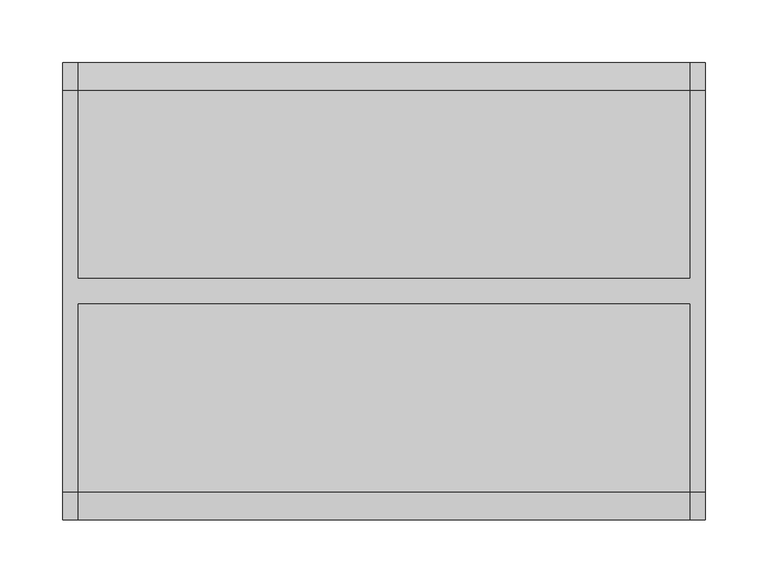
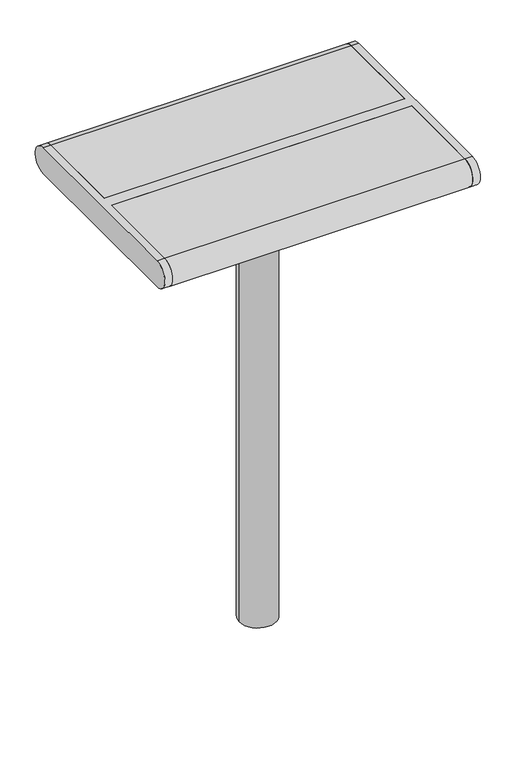
"""IFC4 building model written with IfcOpenShell, lengths in millimetres: furniture geometry."""

from ifc_helpers import new_model, si_unit, point, frame, frame_2d, origin, origin_2d, place, context, project, spatial, polyline, circle_curve, trimmed, segment, composite_curve, outline, extrude, source, transform, mapped, element, save
from ifc_brep_helpers import plane_surface, cylinder_surface, advanced_brep


def furniture_86fac9b9(model_context):
    return source(origin(), model_context, "Body", "SolidModel", [
        advanced_brep(
        [(257.0, -161.0, 405.0), (257.0, 160.0, 405.0), (257.0, 160.0, 450.0), (257.0, -161.0, 450.0), (245.0, -161.0, 405.0), (245.0, -161.0, 450.0), (245.0, -10.5, 450.0), (245.0, -10.5, 405.0), (245.0, 160.0, 450.0), (245.0, 160.0, 405.0), (245.0, 9.5, 405.0), (245.0, 9.5, 450.0), (-245.0, 9.5, 450.0), (-245.0, 160.0, 450.0), (-257.0, 160.0, 450.0), (-257.0, -161.0, 450.0), (-245.0, -161.0, 450.0), (-245.0, -10.5, 450.0), (-245.0, -10.5, 405.0), (-245.0, -161.0, 405.0), (-257.0, -161.0, 405.0), (-257.0, 160.0, 405.0), (-245.0, 160.0, 405.0), (-245.0, 9.5, 405.0)],
        [
            (0, 1),
            (1, 2, circle_curve(frame((257.0, 160.0, 427.5), z_axis=(1.0, 0.0, 0.0), x_axis=(0.0, 1.0, 0.0)), 22.5)),
            (2, 3),
            (3, 0, circle_curve(frame((257.0, -161.0, 427.5), z_axis=(1.0, 0.0, 0.0), x_axis=(0.0, -1.0, 0.0)), 22.5)),
            (4, 5, circle_curve(frame((245.0, -161.0, 427.5), z_axis=(-1.0, 0.0, 0.0), x_axis=(0.0, -1.0, 0.0)), 22.5)),
            (5, 6),
            (6, 7),
            (7, 4),
            (8, 9, circle_curve(frame((245.0, 160.0, 427.5), z_axis=(-1.0, 0.0, 0.0), x_axis=(0.0, 1.0, 0.0)), 22.5)),
            (9, 10),
            (10, 11),
            (11, 8),
            (2, 8),
            (11, 12),
            (12, 13),
            (13, 14),
            (14, 15),
            (15, 16),
            (16, 17),
            (17, 6),
            (5, 3),
            (0, 4),
            (7, 18),
            (18, 19),
            (19, 20),
            (20, 21),
            (21, 22),
            (22, 23),
            (23, 10),
            (9, 1),
            (17, 18),
            (23, 12),
            (22, 13, circle_curve(frame((-245.0, 160.0, 427.5), z_axis=(1.0, 0.0, 0.0), x_axis=(0.0, -1.0, 0.0)), 22.5)),
            (16, 19, circle_curve(frame((-245.0, -161.0, 427.5), z_axis=(1.0, 0.0, 0.0), x_axis=(0.0, -1.0, 0.0)), 22.5)),
            (20, 15, circle_curve(frame((-257.0, -161.0, 427.5), z_axis=(-1.0, 0.0, 0.0), x_axis=(0.0, -1.0, 0.0)), 22.5)),
            (14, 21, circle_curve(frame((-257.0, 160.0, 427.5), z_axis=(-1.0, 0.0, 0.0), x_axis=(0.0, -1.0, 0.0)), 22.5)),
        ],
        [
            plane_surface(frame((257.0, 160.0, 405.0), z_axis=(1.0, 0.0, 0.0), x_axis=(0.0, 1.0, 0.0))),
            plane_surface(frame((245.0, 160.0, 405.0), z_axis=(-1.0, 0.0, 0.0), x_axis=(0.0, -1.0, 0.0))),
            plane_surface(frame((257.0, 160.0, 450.0), z_axis=(0.0, 0.0, 1.0), x_axis=(-1.0, 0.0, 0.0))),
            plane_surface(frame((257.0, -161.0, 405.0), z_axis=(0.0, 0.0, -1.0), x_axis=(-1.0, 0.0, 0.0))),
            cylinder_surface(frame((245.0, -161.0, 427.5), z_axis=(1.0, 0.0, 0.0), x_axis=(0.0, -1.0, 0.0)), 22.5),
            cylinder_surface(frame((245.0, 160.0, 427.5), z_axis=(1.0, 0.0, 0.0), x_axis=(0.0, 1.0, 0.0)), 22.5),
            plane_surface(frame((245.0, -10.5, 450.0), z_axis=(0.0, -1.0, 0.0), x_axis=(-1.0, 0.0, 0.0))),
            plane_surface(frame((245.0, 9.5, 405.0), z_axis=(0.0, 1.0, 0.0), x_axis=(-1.0, 0.0, 0.0))),
            plane_surface(frame((-245.0, 160.0, 405.0), z_axis=(1.0, 0.0, 0.0), x_axis=(0.0, 1.0, 0.0))),
            plane_surface(frame((-257.0, 160.0, 405.0), z_axis=(-1.0, 0.0, 0.0), x_axis=(0.0, -1.0, 0.0))),
            cylinder_surface(frame((-257.0, -161.0, 427.5), z_axis=(1.0, 0.0, 0.0), x_axis=(0.0, -1.0, 0.0)), 22.5),
            cylinder_surface(frame((-257.0, 160.0, 427.5), z_axis=(1.0, 0.0, 0.0), x_axis=(0.0, -1.0, 0.0)), 22.5),
        ],
        [
            (0, [[1, 2, 3, 4]]),
            (1, [[5, 6, 7, 8]]),
            (1, [[9, 10, 11, 12]]),
            (2, [[-3, 13, -12, 14, 15, 16, 17, 18, 19, 20, -6, 21]]),
            (3, [[-1, 22, -8, 23, 24, 25, 26, 27, 28, 29, -10, 30]]),
            (4, [[-4, -21, -5, -22]]),
            (5, [[-2, -30, -9, -13]]),
            (6, [[-20, 31, -23, -7]]),
            (7, [[-14, -11, -29, 32]]),
            (8, [[33, -15, -32, -28]]),
            (8, [[34, -24, -31, -19]]),
            (9, [[35, -17, 36, -26]]),
            (10, [[-34, -18, -35, -25]]),
            (11, [[-33, -27, -36, -16]]),
        ],
    ),
        extrude(outline(composite_curve([segment(polyline([(9.5, 405.0), (9.5, 450.0), (160.0, 450.0)]), True, "CONTINUOUS"), segment(trimmed(circle_curve(frame_2d((160.0, 427.5)), 22.5), [point((160.0, 450.0))], [point((160.0, 405.0))], False, "CARTESIAN"), True, "CONTINUOUS"), segment(polyline([(160.0, 405.0), (9.5, 405.0)]), True, "CONTINUOUS")], self_intersect=False)), frame((-245.0, 0.0, 0.0), z_axis=(1.0, 0.0, 0.0), x_axis=(0.0, 1.0, 0.0)), (0.0, 0.0, 1.0), 490.0),
        extrude(outline(composite_curve([segment(polyline([(-10.5, 405.0), (-161.0, 405.0)]), True, "CONTINUOUS"), segment(trimmed(circle_curve(frame_2d((-161.0, 427.5)), 22.5), [point((-161.0, 405.0))], [point((-161.0, 450.0))], False, "CARTESIAN"), True, "CONTINUOUS"), segment(polyline([(-161.0, 450.0), (-10.5, 450.0), (-10.5, 405.0)]), True, "CONTINUOUS")], self_intersect=False)), frame((-245.0, 0.0, 0.0), z_axis=(1.0, 0.0, 0.0), x_axis=(0.0, 1.0, 0.0)), (0.0, 0.0, 1.0), 490.0),
        extrude(outline(composite_curve([segment(trimmed(circle_curve(origin_2d(), 30.0), [point((-30.0, 0.0))], [point((30.0, 0.0))], False, "CARTESIAN"), True, "CONTINUOUS"), segment(trimmed(circle_curve(origin_2d(), 30.0), [point((30.0, 0.0))], [point((-30.0, 0.0))], False, "CARTESIAN"), True, "CONTINUOUS")], self_intersect=False)), frame((0.0, 0.0, -350.0), z_axis=(0.0, 0.0, 1.0), x_axis=(1.0, 0.0, 0.0)), (0.0, 0.0, 1.0), 739.0),
        extrude(outline(polyline([(75.0, 125.0), (75.0, -125.0), (-75.0, -125.0), (-75.0, 125.0), (75.0, 125.0)])), frame((0.0, 0.0, 389.0), z_axis=(0.0, 0.0, 1.0), x_axis=(1.0, 0.0, 0.0)), (0.0, 0.0, 1.0), 16.0),
    ])


if __name__ == "__main__":
    model = new_model("IFC4")
    model_context = context("Model", 3, world=origin())
    ifc_project = project(units=[si_unit("LENGTHUNIT", "METRE", prefix="MILLI")], contexts=[model_context])
    site = spatial("IfcSite", under=ifc_project)
    building = spatial("IfcBuilding", under=site)
    placement = place(None, origin())
    furniture_shape = furniture_86fac9b9(model_context)
    element("IfcFurniture", 1, at=placement, inside=building, context=model_context, shape_type="MappedRepresentation", body=[
        mapped(furniture_shape, transform((0.0, 0.0, 0.0), x_axis=(1.0, 0.0, 0.0), y_axis=(0.0, 1.0, 0.0), z_axis=(0.0, 0.0, 1.0))),
    ])
    save(model, "model.ifc")
